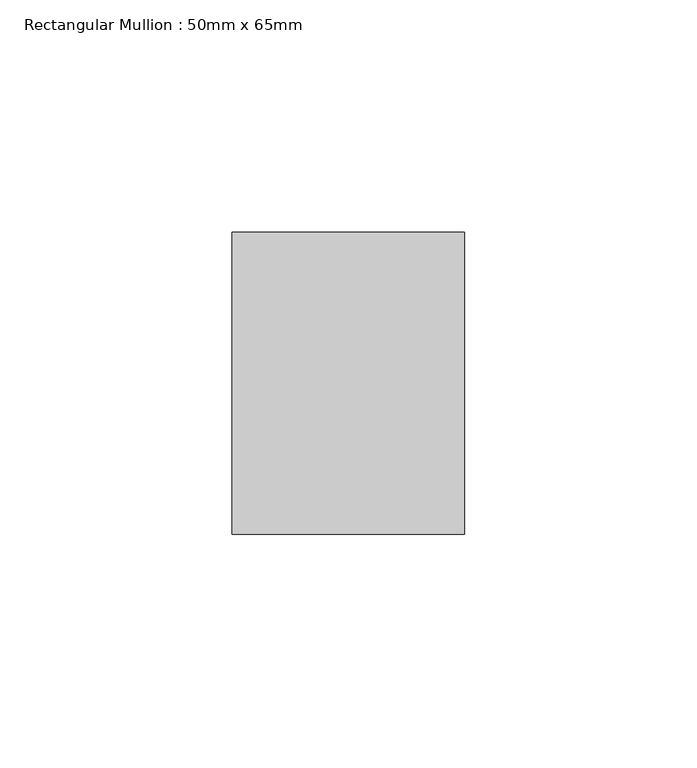
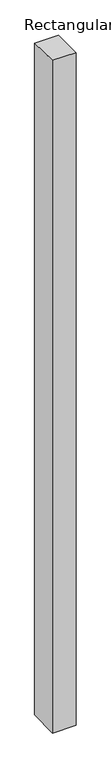
"""IFC4 building model written with IfcOpenShell, lengths in millimetres: member geometry, Rectangular Mullion : 50mm x 65mm."""

from ifc_helpers import new_model, si_unit, origin, place, context, project, spatial, faceted_brep, source, transform, mapped, element, save


def rectangular_mullion_50mm_x_65mm_4e5f23a6(model_context):
    return source(origin(), model_context, "Body", "Brep", [
        faceted_brep([(-25.0, 32.5, -0.4518171), (25.0, 32.5, -0.4518123), (25.0, 32.5, -1499.4316671), (-25.0, 32.5, -1499.4316611), (-25.0, -32.5, 0.4518123), (-25.0, -32.5, -1500.5683005), (25.0, -32.5, 0.4518171), (25.0, -32.5, -1500.5683065)], [[[0, 1, 2, 3]], [[4, 0, 3, 5]], [[6, 4, 5, 7]], [[1, 6, 7, 2]], [[1, 0, 4, 6]], [[2, 7, 5, 3]]]),
    ])


if __name__ == "__main__":
    model = new_model("IFC4")
    model_context = context("Model", 3, world=origin())
    ifc_project = project(units=[si_unit("LENGTHUNIT", "METRE", prefix="MILLI")], contexts=[model_context])
    site = spatial("IfcSite", under=ifc_project)
    building = spatial("IfcBuilding", under=site)
    placement = place(None, origin())
    rectangular_mullion_50mm_x_65mm_shape = rectangular_mullion_50mm_x_65mm_4e5f23a6(model_context)
    element("IfcMember", 1, ObjectType="Rectangular Mullion : 50mm x 65mm", at=placement, inside=building, context=model_context, shape_type="MappedRepresentation", body=[
        mapped(rectangular_mullion_50mm_x_65mm_shape, transform((0.0, 0.0, 0.0), x_axis=(1.0, 0.0, 0.0), y_axis=(0.0, 1.0, 0.0), z_axis=(0.0, 0.0, 1.0))),
    ])
    save(model, "model.ifc")
